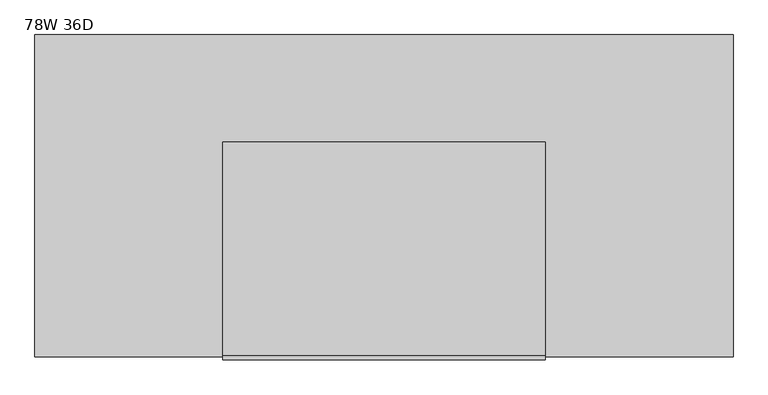
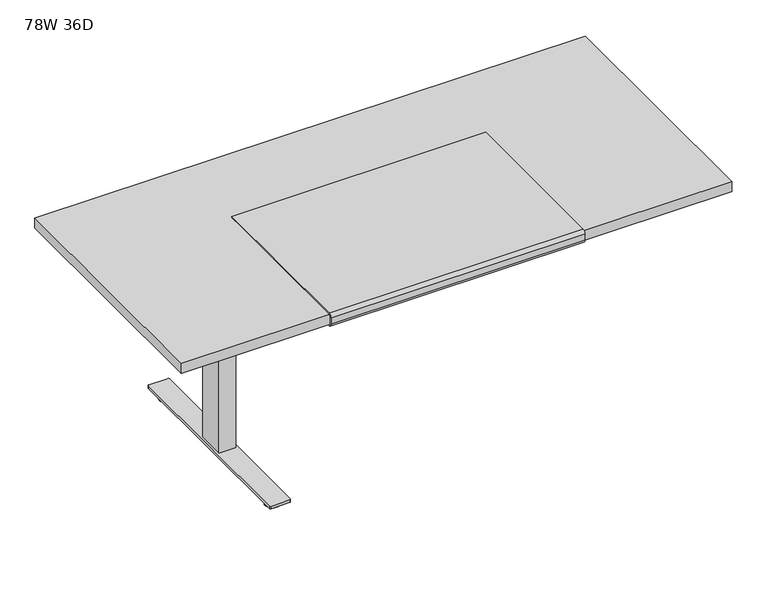
"""IFC4 building model written with IfcOpenShell, lengths in millimetres: furniture geometry, 78W 36D."""

from ifc_helpers import new_model, si_unit, point, frame, frame_2d, origin, origin_with_axes, place, context, project, spatial, polyline, circle_curve, trimmed, segment, composite_curve, outline, extrude, source, transform, mapped, element, save


def furniture_78w_36d_272b9d23(model_context):
    return source(origin(), model_context, "Body", "SweptSolid", [
        extrude(outline(composite_curve([segment(polyline([(-923.7981828, 711.2566341), (-923.7981828, 706.2597008)]), True, "CONTINUOUS"), segment(trimmed(circle_curve(frame_2d((-923.7981828, 718.9597008)), 12.7), [point((-923.7981828, 706.2597008))], [point((-936.4981828, 718.9597008))], False, "CARTESIAN"), True, "CONTINUOUS"), segment(polyline([(-936.4981828, 718.9597008), (-936.4981828, 741.3625)]), True, "CONTINUOUS"), segment(trimmed(circle_curve(frame_2d((-923.7981828, 741.3625)), 12.7), [point((-936.4981828, 741.3625))], [point((-923.7981828, 754.0625))], False, "CARTESIAN"), True, "CONTINUOUS"), segment(polyline([(-923.7981828, 754.0625), (-317.3731828, 754.0625), (-317.3731828, 749.3), (-923.6350132, 749.3)]), True, "CONTINUOUS"), segment(trimmed(circle_curve(frame_2d((-923.6350132, 741.3625)), 7.9375), [point((-923.6350132, 749.3))], [point((-931.5725132, 741.3625))], True, "CARTESIAN"), True, "CONTINUOUS"), segment(polyline([(-931.5725132, 741.3625), (-931.5725132, 717.6066341)]), True, "CONTINUOUS"), segment(trimmed(circle_curve(frame_2d((-925.2225132, 717.6066341)), 6.35), [point((-931.5725132, 717.6066341))], [point((-925.2225132, 711.2566341))], True, "CARTESIAN"), True, "CONTINUOUS"), segment(polyline([(-925.2225132, 711.2566341), (-923.7981828, 711.2566341)]), True, "CONTINUOUS")], self_intersect=False)), frame((-469.9, 0.0, 0.0), z_axis=(1.0, 0.0, 0.0), x_axis=(0.0, 1.0, 0.0)), (0.0, 0.0, 1.0), 914.4),
        extrude(outline(polyline([(-730.25, 692.15), (-730.25, 711.2), (-209.55, 711.2), (-209.55, 692.15), (-411.1625, 635.0), (-528.6375, 635.0), (-730.25, 692.15)])), frame((-643.73125, 0.0, 0.0), z_axis=(1.0, 0.0, 0.0), x_axis=(0.0, 1.0, 0.0)), (0.0, 0.0, 1.0), 2.38125),
        extrude(outline(polyline([(-453.23125, -411.1625), (-453.23125, -528.6375), (-641.35, -528.6375), (-641.35, -411.1625), (-453.23125, -411.1625)])), frame((0.0, 0.0, 655.6375), z_axis=(0.0, 0.0, 1.0), x_axis=(1.0, 0.0, 0.0)), (0.0, 0.0, 1.0), 55.5625),
        extrude(outline(polyline([(-577.85, -425.45), (-577.85, -514.35), (-628.65, -514.35), (-628.65, -425.45), (-577.85, -425.45)])), frame((0.0, 0.0, 654.05), z_axis=(0.0, 0.0, 1.0), x_axis=(1.0, 0.0, 0.0)), (0.0, 0.0, 1.0), 1.5875),
        extrude(outline(polyline([(-573.2859375, -419.89375), (-573.2859375, -519.90625), (-633.2140625, -519.90625), (-633.2140625, -419.89375), (-573.2859375, -419.89375)])), frame((0.0, 0.0, 31.75), z_axis=(0.0, 0.0, 1.0), x_axis=(1.0, 0.0, 0.0)), (0.0, 0.0, 1.0), 622.3),
        extrude(outline(composite_curve([segment(trimmed(circle_curve(frame_2d((-603.25, -800.1)), 25.4), [point((-628.65, -800.1))], [point((-577.85, -800.1))], False, "CARTESIAN"), True, "CONTINUOUS"), segment(trimmed(circle_curve(frame_2d((-603.25, -800.1)), 25.4), [point((-577.85, -800.1))], [point((-628.65, -800.1))], False, "CARTESIAN"), True, "CONTINUOUS")], self_intersect=False)), origin_with_axes(), (0.0, 0.0, 1.0), 9.525),
        extrude(outline(composite_curve([segment(trimmed(circle_curve(frame_2d((-603.25, -139.7)), 25.4), [point((-628.65, -139.7))], [point((-577.85, -139.7))], False, "CARTESIAN"), True, "CONTINUOUS"), segment(trimmed(circle_curve(frame_2d((-603.25, -139.7)), 25.4), [point((-577.85, -139.7))], [point((-628.65, -139.7))], False, "CARTESIAN"), True, "CONTINUOUS")], self_intersect=False)), origin_with_axes(), (0.0, 0.0, 1.0), 9.525),
        extrude(outline(composite_curve([segment(polyline([(-628.65, -800.1), (-628.65, -139.7)]), True, "CONTINUOUS"), segment(trimmed(circle_curve(frame_2d((-603.25, -139.7)), 25.4), [point((-628.65, -139.7))], [point((-603.25, -114.3))], False, "CARTESIAN"), True, "CONTINUOUS"), segment(trimmed(circle_curve(frame_2d((-603.25, -139.7)), 25.4), [point((-603.25, -114.3))], [point((-577.85, -139.7))], False, "CARTESIAN"), True, "CONTINUOUS"), segment(polyline([(-577.85, -139.7), (-577.85, -800.1)]), True, "CONTINUOUS"), segment(trimmed(circle_curve(frame_2d((-603.25, -800.1)), 25.4), [point((-577.85, -800.1))], [point((-603.25, -825.5))], False, "CARTESIAN"), True, "CONTINUOUS"), segment(trimmed(circle_curve(frame_2d((-603.25, -800.1)), 25.4), [point((-603.25, -825.5))], [point((-628.65, -800.1))], False, "CARTESIAN"), True, "CONTINUOUS")], self_intersect=False)), frame((0.0, 0.0, 9.525), z_axis=(0.0, 0.0, 1.0), x_axis=(1.0, 0.0, 0.0)), (0.0, 0.0, 1.0), 12.7),
        extrude(outline(composite_curve([segment(trimmed(circle_curve(frame_2d((-569.9125, -93.6625)), 4.7625), [point((-569.9125, -88.9))], [point((-565.15, -93.6625))], False, "CARTESIAN"), True, "CONTINUOUS"), segment(polyline([(-565.15, -93.6625), (-565.15, -846.1375)]), True, "CONTINUOUS"), segment(trimmed(circle_curve(frame_2d((-569.9125, -846.1375)), 4.7625), [point((-565.15, -846.1375))], [point((-569.9125, -850.9))], False, "CARTESIAN"), True, "CONTINUOUS"), segment(polyline([(-569.9125, -850.9), (-636.5875, -850.9)]), True, "CONTINUOUS"), segment(trimmed(circle_curve(frame_2d((-636.5875, -846.1375)), 4.7625), [point((-636.5875, -850.9))], [point((-641.35, -846.1375))], False, "CARTESIAN"), True, "CONTINUOUS"), segment(polyline([(-641.35, -846.1375), (-641.35, -93.6625)]), True, "CONTINUOUS"), segment(trimmed(circle_curve(frame_2d((-636.5875, -93.6625)), 4.7625), [point((-641.35, -93.6625))], [point((-636.5875, -88.9))], False, "CARTESIAN"), True, "CONTINUOUS"), segment(polyline([(-636.5875, -88.9), (-569.9125, -88.9)]), True, "CONTINUOUS")], self_intersect=False)), frame((0.0, 0.0, 22.225), z_axis=(0.0, 0.0, 1.0), x_axis=(1.0, 0.0, 0.0)), (0.0, 0.0, 1.0), 9.525),
        extrude(outline(polyline([(746.125, -215.9), (746.125, -723.9), (669.925, -723.9), (669.925, -215.9), (746.125, -215.9)])), frame((0.0, 0.0, 590.55), z_axis=(0.0, 0.0, 1.0), x_axis=(1.0, 0.0, 0.0)), (0.0, 0.0, 1.0), 120.65),
        extrude(outline(polyline([(977.9, -12.7), (977.9, -927.1), (-1003.3, -927.1), (-1003.3, -12.7), (977.9, -12.7)])), frame((0.0, 0.0, 711.2), z_axis=(0.0, 0.0, 1.0), x_axis=(1.0, 0.0, 0.0)), (0.0, 0.0, 1.0), 38.1),
    ])


if __name__ == "__main__":
    model = new_model("IFC4")
    model_context = context("Model", 3, world=origin())
    ifc_project = project(units=[si_unit("LENGTHUNIT", "METRE", prefix="MILLI")], contexts=[model_context])
    site = spatial("IfcSite", under=ifc_project)
    building = spatial("IfcBuilding", under=site)
    placement = place(None, origin())
    furniture_78w_36d_shape = furniture_78w_36d_272b9d23(model_context)
    element("IfcFurniture", 1, ObjectType="78W 36D", at=placement, inside=building, context=model_context, shape_type="MappedRepresentation", body=[
        mapped(furniture_78w_36d_shape, transform((0.0, 0.0, 0.0), x_axis=(1.0, 0.0, 0.0), y_axis=(0.0, 1.0, 0.0), z_axis=(0.0, 0.0, 1.0))),
    ])
    save(model, "model.ifc")
